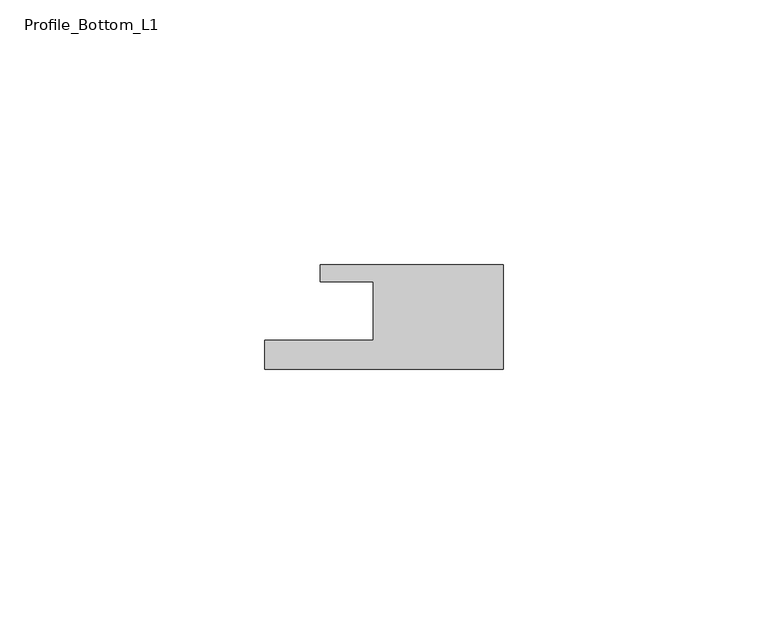
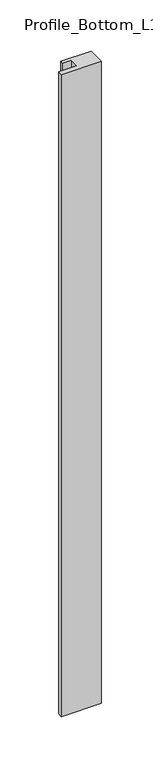
"""IFC4 building model written with IfcOpenShell, lengths in millimetres: member geometry, Profile_Bottom_L1."""

from ifc_helpers import new_model, si_unit, frame, origin, place, context, project, spatial, polyline, outline, extrude, source, transform, mapped, element, save


def profile_bottom_l1_07337fe5(model_context):
    return source(origin(), model_context, "Body", "SweptSolid", [
        extrude(outline(polyline([(-45.0, -5.5), (-24.5, -5.5), (-24.5, 5.5), (-34.5, 5.5), (-34.5, 8.7), (0.0, 8.7), (0.0, -11.0), (-45.0, -11.0), (-45.0, -5.5)])), frame((0.0, 0.0, -764.5), z_axis=(0.0, 0.0, 1.0), x_axis=(1.0, 0.0, 0.0)), (0.0, 0.0, 1.0), 764.5),
    ])


if __name__ == "__main__":
    model = new_model("IFC4")
    model_context = context("Model", 3, world=origin())
    ifc_project = project(units=[si_unit("LENGTHUNIT", "METRE", prefix="MILLI")], contexts=[model_context])
    site = spatial("IfcSite", under=ifc_project)
    building = spatial("IfcBuilding", under=site)
    placement = place(None, origin())
    profile_bottom_l1_shape = profile_bottom_l1_07337fe5(model_context)
    element("IfcMember", 1, ObjectType="Profile_Bottom_L1", at=placement, inside=building, context=model_context, shape_type="MappedRepresentation", body=[
        mapped(profile_bottom_l1_shape, transform((0.0, 0.0, 0.0), x_axis=(1.0, 0.0, 0.0), y_axis=(0.0, 1.0, 0.0), z_axis=(0.0, 0.0, 1.0))),
    ])
    save(model, "model.ifc")
